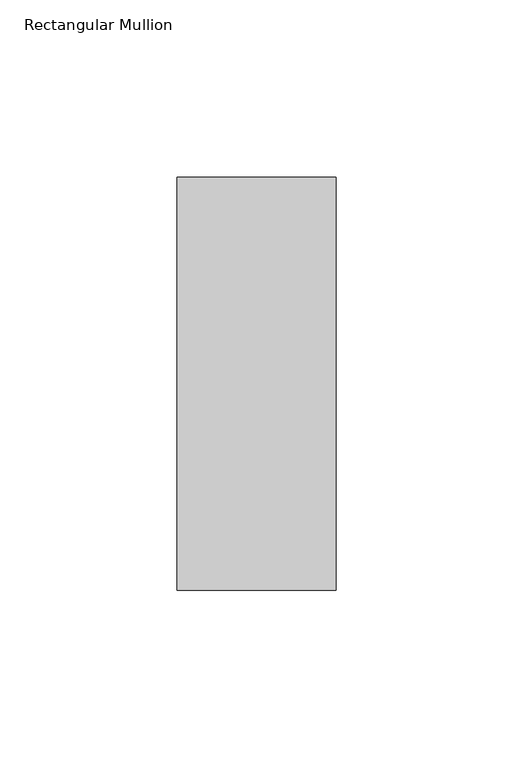
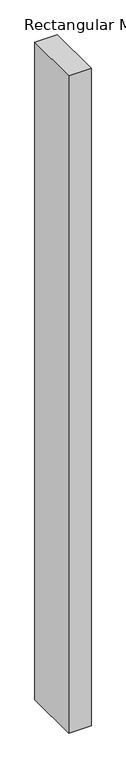
"""IFC4 building model written with IfcOpenShell, lengths in millimetres: member geometry, Rectangular Mullion."""

from ifc_helpers import new_model, si_unit, frame, origin, place, context, project, spatial, polyline, outline, extrude, source, transform, mapped, element, save


def rectangular_mullion_ca2190f5(model_context):
    return source(origin(), model_context, "Body", "SweptSolid", [
        extrude(outline(polyline([(-45.0453125, 73.875), (0.0, 73.875), (0.0, -42.8257813), (-45.0453125, -42.8257813), (-45.0453125, 73.875)])), frame((0.0, 0.0, -1391.046875), z_axis=(0.0, 0.0, 1.0), x_axis=(1.0, 0.0, 0.0)), (0.0, 0.0, 1.0), 1391.046875),
    ])


if __name__ == "__main__":
    model = new_model("IFC4")
    model_context = context("Model", 3, world=origin())
    ifc_project = project(units=[si_unit("LENGTHUNIT", "METRE", prefix="MILLI")], contexts=[model_context])
    site = spatial("IfcSite", under=ifc_project)
    building = spatial("IfcBuilding", under=site)
    placement = place(None, origin())
    rectangular_mullion_shape = rectangular_mullion_ca2190f5(model_context)
    element("IfcMember", 1, ObjectType="Rectangular Mullion", at=placement, inside=building, context=model_context, shape_type="MappedRepresentation", body=[
        mapped(rectangular_mullion_shape, transform((0.0, 0.0, 0.0), x_axis=(1.0, 0.0, 0.0), y_axis=(0.0, 1.0, 0.0), z_axis=(0.0, 0.0, 1.0))),
    ])
    save(model, "model.ifc")
